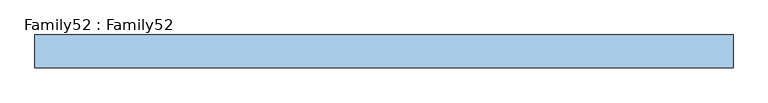
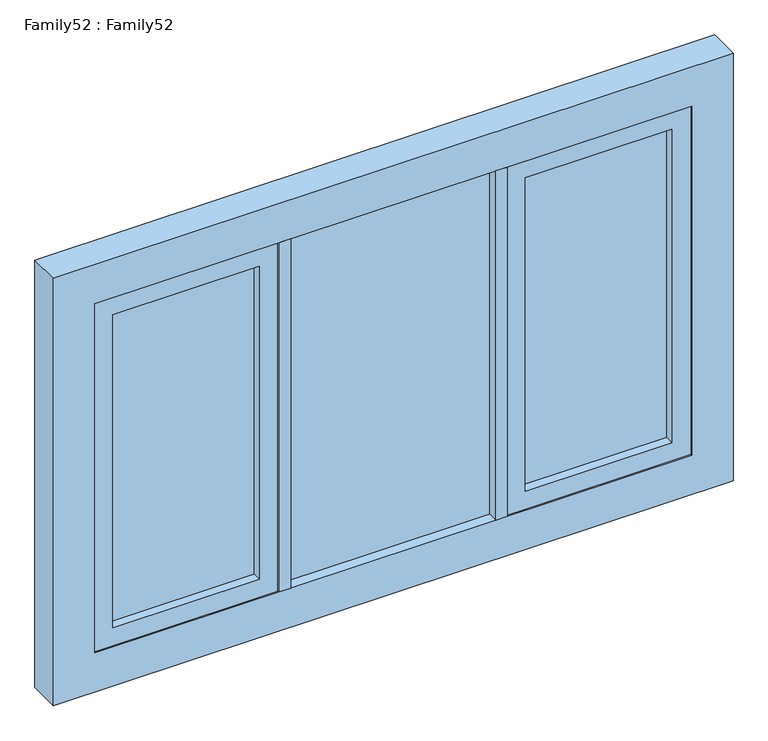
"""IFC4 building model written with IfcOpenShell, lengths in millimetres: window geometry, Family52 : Family52."""

import ifcopenshell
import ifcopenshell.guid

model = None  # the IFC model being written
_history = None  # IfcOwnerHistory: only IFC2X3 demands one
_inside = {}  # id of a spatial element -> (the spatial element, [elements in it])
_under = {}  # id of a project, library or spatial element -> (it, [spatial elements below it])
_declared = {}  # id of a project -> (the project, [libraries it declares])
_typed = {}  # id of a type object -> (the type object, [elements of that type])
_made_of = {}  # id of a material, layer set ... -> (it, [elements and type objects made of it])


def new_model(schema):
    """Start an empty IFC model of exactly this schema.

    Asked for "IFC4X3", IfcOpenShell would pick the latest addendum, in which some entities
    have other attributes; the version numbers below select the first issue.
    IFC2X3 requires an IfcOwnerHistory on every rooted entity: one is made here for all.
    """
    global model, _history
    if schema == "IFC4X3":
        model = ifcopenshell.file(schema_version=(4, 3, 0, 0))
    else:
        model = ifcopenshell.file(schema=schema)
    _inside.clear()
    _under.clear()
    _declared.clear()
    _typed.clear()
    _made_of.clear()
    _history = None
    if model.schema == "IFC2X3":
        org = make("IfcOrganization", Name="unknown")
        user = make(
            "IfcPersonAndOrganization",
            ThePerson=make("IfcPerson", FamilyName="unknown"),
            TheOrganization=org,
        )
        app = make(
            "IfcApplication",
            ApplicationDeveloper=org,
            Version="unknown",
            ApplicationFullName="unknown",
            ApplicationIdentifier="unknown",
        )
        _history = make(
            "IfcOwnerHistory",
            OwningUser=user,
            OwningApplication=app,
            ChangeAction="ADDED",
            CreationDate=0,
        )
    return model


def make(cls, **values):
    """One entity of the class cls with the attributes given. An attribute that is None is left unset."""
    return model.create_entity(
        cls, **{name: value for name, value in values.items() if value is not None}
    )


def rooted(cls, **values):
    """An entity with a GlobalId (a new one), such as an element, a storey or a relation."""
    return make(cls, GlobalId=ifcopenshell.guid.new(), OwnerHistory=_history, **values)


def si_unit(unit_type, name, prefix=None):
    """IfcSIUnit, for example si_unit("LENGTHUNIT", "METRE", prefix="MILLI")."""
    return make("IfcSIUnit", UnitType=unit_type, Prefix=prefix, Name=name)


def assignment(units):
    """IfcUnitAssignment: the units of a project."""
    return None if units is None else make("IfcUnitAssignment", Units=units)


def point(xyz):
    """IfcCartesianPoint."""
    return None if xyz is None else make("IfcCartesianPoint", Coordinates=xyz)


def direction(xyz):
    """IfcDirection."""
    return None if xyz is None else make("IfcDirection", DirectionRatios=xyz)


def frame(location, z_axis=None, x_axis=None):
    """IfcAxis2Placement3D, a coordinate frame: its origin and axes. An axis left out is left unset."""
    return make(
        "IfcAxis2Placement3D",
        Location=point(location),
        Axis=direction(z_axis),
        RefDirection=direction(x_axis),
    )


def origin():
    """The frame at (0, 0, 0) with its axes left unset."""
    return frame((0.0, 0.0, 0.0))


def place(relative_to, where):
    """IfcLocalPlacement: puts the frame where relative to a parent placement (None: the world)."""
    return make(
        "IfcLocalPlacement", PlacementRelTo=relative_to, RelativePlacement=where
    )


def context(
    kind, dimensions, precision=None, world=None, true_north=None, identifier=None
):
    """IfcGeometricRepresentationContext, for example the 3D "Model" context."""
    return make(
        "IfcGeometricRepresentationContext",
        ContextIdentifier=identifier,
        ContextType=kind,
        CoordinateSpaceDimension=dimensions,
        Precision=precision,
        WorldCoordinateSystem=world,
        TrueNorth=true_north,
    )


def project(units=None, contexts=None):
    """IfcProject with its units and contexts."""
    return rooted(
        "IfcProject",
        Name="project",
        RepresentationContexts=contexts,
        UnitsInContext=assignment(units),
    )


def spatial(cls, under=None, at=None, **own):
    """A site, building, storey or space (cls), placed at a placement, below another one or the project."""
    s = rooted(cls, ObjectPlacement=at, **own)
    if under is not None:
        _under.setdefault(under.id(), (under, []))[1].append(s)
    return s


def polyline(points):
    """IfcPolyline through the points."""
    return make("IfcPolyline", Points=[point(p) for p in points])


def outline(outer, holes=None, kind="AREA"):
    """IfcArbitraryClosedProfileDef: a profile drawn as a closed curve; with holes, ...WithVoids."""
    if holes is None:
        return make("IfcArbitraryClosedProfileDef", ProfileType=kind, OuterCurve=outer)
    return make(
        "IfcArbitraryProfileDefWithVoids",
        ProfileType=kind,
        OuterCurve=outer,
        InnerCurves=holes,
    )


def extrude(swept, where, along, depth):
    """IfcExtrudedAreaSolid: the profile swept, set in the frame where, extruded along a direction by depth."""
    return make(
        "IfcExtrudedAreaSolid",
        SweptArea=swept,
        Position=where,
        ExtrudedDirection=direction(along),
        Depth=depth,
    )


def shape(context_of_items, identifier, shape_type, items):
    """IfcShapeRepresentation: the items that make up one representation, for example the "Body"."""
    return make(
        "IfcShapeRepresentation",
        ContextOfItems=context_of_items,
        RepresentationIdentifier=identifier,
        RepresentationType=shape_type,
        Items=items,
    )


def source(mapping_origin, context_of_items, identifier, shape_type, items):
    """IfcRepresentationMap: a shape defined once, which mapped items show again and again."""
    return make(
        "IfcRepresentationMap",
        MappingOrigin=mapping_origin,
        MappedRepresentation=shape(context_of_items, identifier, shape_type, items),
    )


def transform(
    local_origin,
    x_axis=None,
    y_axis=None,
    z_axis=None,
    scale=None,
    scale2=None,
    scale3=None,
    uniform=True,
):
    """IfcCartesianTransformationOperator3D, or its non-uniform kind. x_axis, y_axis, z_axis: its Axis1, 2, 3."""
    if uniform:
        return make(
            "IfcCartesianTransformationOperator3D",
            Axis1=direction(x_axis),
            Axis2=direction(y_axis),
            LocalOrigin=point(local_origin),
            Scale=scale,
            Axis3=direction(z_axis),
        )
    return make(
        "IfcCartesianTransformationOperator3DnonUniform",
        Axis1=direction(x_axis),
        Axis2=direction(y_axis),
        LocalOrigin=point(local_origin),
        Scale=scale,
        Axis3=direction(z_axis),
        Scale2=scale2,
        Scale3=scale3,
    )


def mapped(mapping_source, mapping_target):
    """IfcMappedItem: shows the shape of a source again, moved by a transform."""
    return make(
        "IfcMappedItem", MappingSource=mapping_source, MappingTarget=mapping_target
    )


def made_of(thing, what):
    """Note that an element or type object is made of a material, layer set ...; save() writes the relation."""
    if what is not None:
        _made_of.setdefault(what.id(), (what, []))[1].append(thing)
    return thing


def element(
    cls,
    number,
    at=None,
    inside=None,
    cuts=None,
    type_object=None,
    material=None,
    context=None,
    identifier="Body",
    shape_type=None,
    held_by="IfcProductDefinitionShape",
    body=None,
    shapes=None,
    **own,
):
    """One element of the class cls, such as IfcWall. Its Tag is "e" and its number.

    at: its placement. inside: the storey or other place that contains it. cuts: it is an
    opening in that element (IfcRelVoidsElement). A single representation is given by context,
    identifier, shape_type and body (its items); several are given by shapes. held_by: the class
    of the entity that holds the representations. save() writes the other relations.
    """
    e = rooted(cls, Tag="e%d" % number, ObjectPlacement=at, **own)
    if body is not None:
        shapes = [shape(context, identifier, shape_type, body)]
    if shapes is not None:
        e.Representation = make(held_by, Representations=shapes)
    if inside is not None:
        _inside.setdefault(inside.id(), (inside, []))[1].append(e)
    if cuts is not None:
        rooted(
            "IfcRelVoidsElement", RelatingBuildingElement=cuts, RelatedOpeningElement=e
        )
    if type_object is not None:
        _typed.setdefault(type_object.id(), (type_object, []))[1].append(e)
    return made_of(e, material)


def aggregate(whole, parts):
    """IfcRelAggregates: a whole, such as a stair, and the parts it consists of."""
    return rooted("IfcRelAggregates", RelatingObject=whole, RelatedObjects=parts)


def save(model, path):
    """Write the relations noted so far, then the file.

    IfcRelAggregates (storeys below a building ...), IfcRelContainedInSpatialStructure (elements
    in a storey), IfcRelDefinesByType, IfcRelAssociatesMaterial and IfcRelDeclares: one each for
    every whole, place, type object, material and project.
    """
    for whole, parts in _under.values():
        aggregate(whole, parts)
    for where, things in _inside.values():
        rooted(
            "IfcRelContainedInSpatialStructure",
            RelatedElements=things,
            RelatingStructure=where,
        )
    for kind, things in _typed.values():
        rooted("IfcRelDefinesByType", RelatedObjects=things, RelatingType=kind)
    for what, things in _made_of.values():
        rooted("IfcRelAssociatesMaterial", RelatedObjects=things, RelatingMaterial=what)
    for by, libraries in _declared.values():
        rooted("IfcRelDeclares", RelatingContext=by, RelatedDefinitions=libraries)
    model.write(path)


def family52_family52_c8e0152a(model_context):
    return source(origin(), model_context, "Body", "SweptSolid", [
        extrude(outline(polyline([(270.0, 14.0), (270.0, 10.0), (-270.0, 10.0), (-270.0, 14.0), (270.0, 14.0)])), frame((0.0, 0.0, 909.0), z_axis=(0.0, 0.0, 1.0), x_axis=(1.0, 0.0, 0.0)), (0.0, 0.0, 1.0), 972.0),
        extrude(outline(polyline([(-270.0, -10.0), (270.0, -10.0), (270.0, -14.0), (-270.0, -14.0), (-270.0, -10.0)])), frame((0.0, 0.0, 909.0), z_axis=(0.0, 0.0, 1.0), x_axis=(1.0, 0.0, 0.0)), (0.0, 0.0, 1.0), 972.0),
        extrude(outline(polyline([(-350.0, 14.0), (-350.0, 10.0), (-736.0, 10.0), (-736.0, 14.0), (-350.0, 14.0)])), frame((0.0, 0.0, 959.0), z_axis=(0.0, 0.0, 1.0), x_axis=(1.0, 0.0, 0.0)), (0.0, 0.0, 1.0), 872.0),
        extrude(outline(polyline([(-350.0, -10.0), (-350.0, -14.0), (-736.0, -14.0), (-736.0, -10.0), (-350.0, -10.0)])), frame((0.0, 0.0, 959.0), z_axis=(0.0, 0.0, 1.0), x_axis=(1.0, 0.0, 0.0)), (0.0, 0.0, 1.0), 872.0),
        extrude(outline(polyline([(736.0, 14.0), (736.0, 10.0), (350.0, 10.0), (350.0, 14.0), (736.0, 14.0)])), frame((0.0, 0.0, 959.0), z_axis=(0.0, 0.0, 1.0), x_axis=(1.0, 0.0, 0.0)), (0.0, 0.0, 1.0), 872.0),
        extrude(outline(polyline([(350.0, -10.0), (736.0, -10.0), (736.0, -14.0), (350.0, -14.0), (350.0, -10.0)])), frame((0.0, 0.0, 959.0), z_axis=(0.0, 0.0, 1.0), x_axis=(1.0, 0.0, 0.0)), (0.0, 0.0, 1.0), 872.0),
        extrude(outline(polyline([(300.0, -42.0), (270.0, -42.0), (270.0, 42.0), (300.0, 42.0), (300.0, -42.0)])), frame((0.0, 0.0, 909.0), z_axis=(0.0, 0.0, 1.0), x_axis=(1.0, 0.0, 0.0)), (0.0, 0.0, 1.0), 972.0),
        extrude(outline(polyline([(-270.0, -42.0), (-300.0, -42.0), (-300.0, 42.0), (-270.0, 42.0), (-270.0, -42.0)])), frame((0.0, 0.0, 909.0), z_axis=(0.0, 0.0, 1.0), x_axis=(1.0, 0.0, 0.0)), (0.0, 0.0, 1.0), 972.0),
        extrude(outline(polyline([(1881.0, 302.1746006), (909.0, 302.1746006), (909.0, 786.0), (1881.0, 786.0), (1881.0, 302.1746006)]), holes=[polyline([(959.0, 350.0), (1831.0, 350.0), (1831.0, 736.0), (959.0, 736.0), (959.0, 350.0)])]), frame((0.0, -38.0, 0.0), z_axis=(0.0, 1.0, 0.0), x_axis=(0.0, 0.0, 1.0)), (0.0, 0.0, 1.0), 76.0),
        extrude(outline(polyline([(1881.0, -302.7270659), (1881.0, -786.0), (909.0, -786.0), (909.0, -302.7270659), (1881.0, -302.7270659)]), holes=[polyline([(959.0, -350.0), (959.0, -736.0), (1831.0, -736.0), (1831.0, -350.0), (959.0, -350.0)])]), frame((0.0, -38.0, 0.0), z_axis=(0.0, 1.0, 0.0), x_axis=(0.0, 0.0, 1.0)), (0.0, 0.0, 1.0), 76.0),
        extrude(outline(polyline([(1990.0, 895.0), (1990.0, -895.0), (800.0, -895.0), (800.0, 895.0), (1990.0, 895.0)]), holes=[polyline([(909.0, 786.0), (909.0, -786.0), (1881.0, -786.0), (1881.0, 786.0), (909.0, 786.0)])]), frame((0.0, -42.0, 0.0), z_axis=(0.0, 1.0, 0.0), x_axis=(0.0, 0.0, 1.0)), (0.0, 0.0, 1.0), 84.0),
    ])


if __name__ == "__main__":
    model = new_model("IFC4")
    model_context = context("Model", 3, world=origin())
    ifc_project = project(units=[si_unit("LENGTHUNIT", "METRE", prefix="MILLI")], contexts=[model_context])
    site = spatial("IfcSite", under=ifc_project)
    building = spatial("IfcBuilding", under=site)
    placement = place(None, origin())
    family52_family52_shape = family52_family52_c8e0152a(model_context)
    element("IfcWindow", 1, ObjectType="Family52 : Family52", at=placement, inside=building, context=model_context, shape_type="MappedRepresentation", body=[
        mapped(family52_family52_shape, transform((0.0, 0.0, 0.0), x_axis=(1.0, 0.0, 0.0), y_axis=(0.0, 1.0, 0.0), z_axis=(0.0, 0.0, 1.0))),
    ])
    save(model, "model.ifc")
